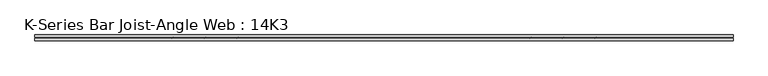
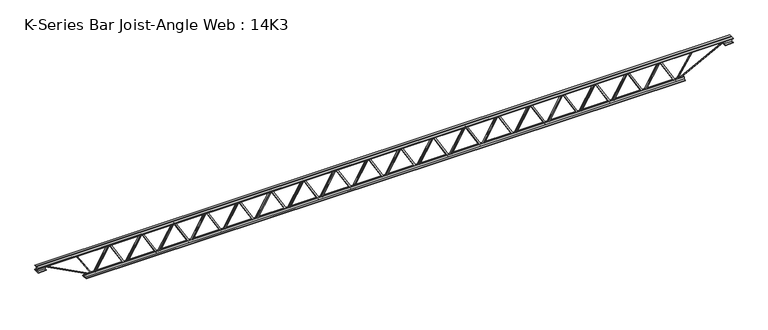
"""IFC4 building model written with IfcOpenShell, lengths in millimetres: beam geometry, K-Series Bar Joist-Angle Web : 14K3."""

from ifc_helpers import new_model, si_unit, frame, origin, place, context, project, spatial, polyline, outline, extrude, faceted_brep, source, transform, mapped, element, save


def k_series_bar_joist_angle_web_14k3_925bcb22(model_context):
    return source(origin(), model_context, "Body", "SolidModel", [
        extrude(outline(polyline([(-4.7625, 4.7625), (-4.7625, 0.0), (-17.4625, 0.0), (-17.4625, 4.7625), (-4.7625, 4.7625)])), frame((3264.7987396, 0.0, -139.7), z_axis=(-0.5053320144149304, 0.0, 0.8629249997580025), x_axis=(0.0, -1.0, 0.0)), (0.0, 0.0, 1.0), 323.7824841),
        extrude(outline(polyline([(-174.625, 3297.0611111), (-155.575, 3297.0611111), (-155.575, 3296.1712757), (174.625, 3102.8049563), (174.625, 3084.6447917), (155.575, 3084.6447917), (155.575, 3091.884627), (-174.625, 3285.2509465), (-174.625, 3297.0611111)])), frame((0.0, 0.0, 0.0), z_axis=(0.0, 1.0, 0.0), x_axis=(0.0, 0.0, 1.0)), (0.0, 0.0, 1.0), 4.7625),
        faceted_brep([(2884.9284722, 0.0, -155.575), (2884.9284722, 0.0, -174.625), (2884.9284722, -4.7625, -174.625), (2884.9284722, -4.7625, -155.575), (2885.8183076, 0.0, -155.575), (3079.184627, 0.0, 174.625), (3097.3447917, 0.0, 174.625), (3097.3447917, 0.0, 155.575), (3090.1049563, 0.0, 155.575), (2896.7386369, 0.0, -174.625), (2896.7386369, -4.7625, -174.625), (2917.1908437, -4.7625, -139.7), (2913.0811634, -4.7625, -137.2933563), (3076.6988183, -4.7625, 142.1066437), (3080.8084986, -4.7625, 139.7), (3090.1049563, -4.7625, 155.575), (3097.3447917, -4.7625, 155.575), (3097.3447917, -4.7625, 174.625), (3079.184627, -4.7625, 174.625), (2885.8183076, -4.7625, -155.575), (3080.8084986, -17.4625, 139.7), (2917.1908437, -17.4625, -139.7), (2913.0811634, -17.4625, -137.2933563), (3076.6988183, -17.4625, 142.1066437)], [[[0, 1, 2, 3]], [[1, 0, 4, 5, 6, 7, 8, 9]], [[2, 1, 9, 10]], [[3, 2, 10, 11, 12, 13, 14, 15, 16, 17, 18, 19]], [[0, 3, 19, 4]], [[9, 8, 15, 14, 20, 21, 11, 10]], [[5, 4, 19, 18]], [[7, 6, 17, 16]], [[8, 7, 16, 15]], [[6, 5, 18, 17]], [[21, 22, 12, 11]], [[20, 14, 13, 23]], [[22, 21, 20, 23]], [[12, 22, 23, 13]]]),
        extrude(outline(polyline([(-4.7625, 4.7625), (-4.7625, 0.0), (-17.4625, 0.0), (-17.4625, 4.7625), (-4.7625, 4.7625)])), frame((2852.6661007, 0.0, -139.7), z_axis=(-0.5053320144149304, 0.0, 0.8629249997580025), x_axis=(0.0, -1.0, 0.0)), (0.0, 0.0, 1.0), 323.7824841),
        extrude(outline(polyline([(-174.625, 2884.9284722), (-155.575, 2884.9284722), (-155.575, 2884.0386369), (174.625, 2690.6723174), (174.625, 2672.5121528), (155.575, 2672.5121528), (155.575, 2679.7519881), (-174.625, 2873.1183076), (-174.625, 2884.9284722)])), frame((0.0, 0.0, 0.0), z_axis=(0.0, 1.0, 0.0), x_axis=(0.0, 0.0, 1.0)), (0.0, 0.0, 1.0), 4.7625),
        faceted_brep([(2472.7958333, 0.0, -155.575), (2472.7958333, 0.0, -174.625), (2472.7958333, -4.7625, -174.625), (2472.7958333, -4.7625, -155.575), (2473.6856687, 0.0, -155.575), (2667.0519881, 0.0, 174.625), (2685.2121528, 0.0, 174.625), (2685.2121528, 0.0, 155.575), (2677.9723174, 0.0, 155.575), (2484.605998, 0.0, -174.625), (2484.605998, -4.7625, -174.625), (2505.0582048, -4.7625, -139.7), (2500.9485245, -4.7625, -137.2933563), (2664.5661794, -4.7625, 142.1066437), (2668.6758597, -4.7625, 139.7), (2677.9723174, -4.7625, 155.575), (2685.2121528, -4.7625, 155.575), (2685.2121528, -4.7625, 174.625), (2667.0519881, -4.7625, 174.625), (2473.6856687, -4.7625, -155.575), (2668.6758597, -17.4625, 139.7), (2505.0582048, -17.4625, -139.7), (2500.9485245, -17.4625, -137.2933563), (2664.5661794, -17.4625, 142.1066437)], [[[0, 1, 2, 3]], [[1, 0, 4, 5, 6, 7, 8, 9]], [[2, 1, 9, 10]], [[3, 2, 10, 11, 12, 13, 14, 15, 16, 17, 18, 19]], [[0, 3, 19, 4]], [[9, 8, 15, 14, 20, 21, 11, 10]], [[5, 4, 19, 18]], [[7, 6, 17, 16]], [[8, 7, 16, 15]], [[6, 5, 18, 17]], [[21, 22, 12, 11]], [[20, 14, 13, 23]], [[22, 21, 20, 23]], [[12, 22, 23, 13]]]),
        extrude(outline(polyline([(-4.7625, 4.7625), (-4.7625, 0.0), (-17.4625, 0.0), (-17.4625, 4.7625), (-4.7625, 4.7625)])), frame((2440.5334618, 0.0, -139.7), z_axis=(-0.5053320144149304, 0.0, 0.8629249997580025), x_axis=(0.0, -1.0, 0.0)), (0.0, 0.0, 1.0), 323.7824841),
        extrude(outline(polyline([(-174.625, 2472.7958333), (-155.575, 2472.7958333), (-155.575, 2471.905998), (174.625, 2278.5396785), (174.625, 2260.3795139), (155.575, 2260.3795139), (155.575, 2267.6193493), (-174.625, 2460.9856687), (-174.625, 2472.7958333)])), frame((0.0, 0.0, 0.0), z_axis=(0.0, 1.0, 0.0), x_axis=(0.0, 0.0, 1.0)), (0.0, 0.0, 1.0), 4.7625),
        faceted_brep([(2060.6631944, 0.0, -155.575), (2060.6631944, 0.0, -174.625), (2060.6631944, -4.7625, -174.625), (2060.6631944, -4.7625, -155.575), (2061.5530298, 0.0, -155.575), (2254.9193493, 0.0, 174.625), (2273.0795139, 0.0, 174.625), (2273.0795139, 0.0, 155.575), (2265.8396785, 0.0, 155.575), (2072.4733591, 0.0, -174.625), (2072.4733591, -4.7625, -174.625), (2092.9255659, -4.7625, -139.7), (2088.8158856, -4.7625, -137.2933563), (2252.4335405, -4.7625, 142.1066437), (2256.5432209, -4.7625, 139.7), (2265.8396785, -4.7625, 155.575), (2273.0795139, -4.7625, 155.575), (2273.0795139, -4.7625, 174.625), (2254.9193493, -4.7625, 174.625), (2061.5530298, -4.7625, -155.575), (2256.5432209, -17.4625, 139.7), (2092.9255659, -17.4625, -139.7), (2088.8158856, -17.4625, -137.2933563), (2252.4335405, -17.4625, 142.1066437)], [[[0, 1, 2, 3]], [[1, 0, 4, 5, 6, 7, 8, 9]], [[2, 1, 9, 10]], [[3, 2, 10, 11, 12, 13, 14, 15, 16, 17, 18, 19]], [[0, 3, 19, 4]], [[9, 8, 15, 14, 20, 21, 11, 10]], [[5, 4, 19, 18]], [[7, 6, 17, 16]], [[8, 7, 16, 15]], [[6, 5, 18, 17]], [[21, 22, 12, 11]], [[20, 14, 13, 23]], [[22, 21, 20, 23]], [[12, 22, 23, 13]]]),
        extrude(outline(polyline([(-4.7625, 4.7625001), (-4.7625, 0.0), (-17.4625, 0.0), (-17.4625, 4.7625001), (-4.7625, 4.7625001)])), frame((2028.4008229, 0.0, -139.7), z_axis=(-0.5053320144149304, 0.0, 0.8629249997580025), x_axis=(0.0, -1.0, 0.0)), (0.0, 0.0, 1.0), 323.7824841),
        extrude(outline(polyline([(-174.625, 2060.6631944), (-155.575, 2060.6631944), (-155.575, 2059.7733591), (174.625, 1866.4070396), (174.625, 1848.246875), (155.575, 1848.246875), (155.575, 1855.4867104), (-174.625, 2048.8530298), (-174.625, 2060.6631944)])), frame((0.0, 0.0, 0.0), z_axis=(0.0, 1.0, 0.0), x_axis=(0.0, 0.0, 1.0)), (0.0, 0.0, 1.0), 4.7625),
        faceted_brep([(1648.5305556, 0.0, -155.575), (1648.5305556, 0.0, -174.625), (1648.5305556, -4.7625, -174.625), (1648.5305556, -4.7625, -155.575), (1649.4203909, 0.0, -155.575), (1842.7867104, 0.0, 174.625), (1860.946875, 0.0, 174.625), (1860.946875, 0.0, 155.575), (1853.7070396, 0.0, 155.575), (1660.3407202, 0.0, -174.625), (1660.3407202, -4.7625, -174.625), (1680.7929271, -4.7625, -139.7), (1676.6832467, -4.7625, -137.2933563), (1840.3009017, -4.7625, 142.1066437), (1844.410582, -4.7625, 139.7), (1853.7070396, -4.7625, 155.575), (1860.946875, -4.7625, 155.575), (1860.946875, -4.7625, 174.625), (1842.7867104, -4.7625, 174.625), (1649.4203909, -4.7625, -155.575), (1844.410582, -17.4625, 139.7), (1680.7929271, -17.4625, -139.7), (1676.6832467, -17.4625, -137.2933563), (1840.3009017, -17.4625, 142.1066437)], [[[0, 1, 2, 3]], [[1, 0, 4, 5, 6, 7, 8, 9]], [[2, 1, 9, 10]], [[3, 2, 10, 11, 12, 13, 14, 15, 16, 17, 18, 19]], [[0, 3, 19, 4]], [[9, 8, 15, 14, 20, 21, 11, 10]], [[5, 4, 19, 18]], [[7, 6, 17, 16]], [[8, 7, 16, 15]], [[6, 5, 18, 17]], [[21, 22, 12, 11]], [[20, 14, 13, 23]], [[22, 21, 20, 23]], [[12, 22, 23, 13]]]),
        extrude(outline(polyline([(-4.7625, 4.7625), (-4.7625, 0.0), (-17.4625, 0.0), (-17.4625, 4.7625), (-4.7625, 4.7625)])), frame((1616.2681841, 0.0, -139.7), z_axis=(-0.5053320144149304, 0.0, 0.8629249997580025), x_axis=(0.0, -1.0, 0.0)), (0.0, 0.0, 1.0), 323.7824841),
        extrude(outline(polyline([(-174.625, 1648.5305556), (-155.575, 1648.5305556), (-155.575, 1647.6407202), (174.625, 1454.2744007), (174.625, 1436.1142361), (155.575, 1436.1142361), (155.575, 1443.3540715), (-174.625, 1636.7203909), (-174.625, 1648.5305556)])), frame((0.0, 0.0, 0.0), z_axis=(0.0, 1.0, 0.0), x_axis=(0.0, 0.0, 1.0)), (0.0, 0.0, 1.0), 4.7625),
        faceted_brep([(1236.3979167, 0.0, -155.575), (1236.3979167, 0.0, -174.625), (1236.3979167, -4.7625, -174.625), (1236.3979167, -4.7625, -155.575), (1237.287752, 0.0, -155.575), (1430.6540715, 0.0, 174.625), (1448.8142361, 0.0, 174.625), (1448.8142361, 0.0, 155.575), (1441.5744007, 0.0, 155.575), (1248.2080813, 0.0, -174.625), (1248.2080813, -4.7625, -174.625), (1268.6602882, -4.7625, -139.7), (1264.5506079, -4.7625, -137.2933563), (1428.1682628, -4.7625, 142.1066437), (1432.2779431, -4.7625, 139.7), (1441.5744007, -4.7625, 155.575), (1448.8142361, -4.7625, 155.575), (1448.8142361, -4.7625, 174.625), (1430.6540715, -4.7625, 174.625), (1237.287752, -4.7625, -155.575), (1432.2779431, -17.4625, 139.7), (1268.6602882, -17.4625, -139.7), (1264.5506079, -17.4625, -137.2933563), (1428.1682628, -17.4625, 142.1066437)], [[[0, 1, 2, 3]], [[1, 0, 4, 5, 6, 7, 8, 9]], [[2, 1, 9, 10]], [[3, 2, 10, 11, 12, 13, 14, 15, 16, 17, 18, 19]], [[0, 3, 19, 4]], [[9, 8, 15, 14, 20, 21, 11, 10]], [[5, 4, 19, 18]], [[7, 6, 17, 16]], [[8, 7, 16, 15]], [[6, 5, 18, 17]], [[21, 22, 12, 11]], [[20, 14, 13, 23]], [[22, 21, 20, 23]], [[12, 22, 23, 13]]]),
        extrude(outline(polyline([(-4.7625, 4.7625), (-4.7625, 0.0), (-17.4625, 0.0), (-17.4625, 4.7625), (-4.7625, 4.7625)])), frame((1204.1355452, 0.0, -139.7), z_axis=(-0.5053320144149304, 0.0, 0.8629249997580025), x_axis=(0.0, -1.0, 0.0)), (0.0, 0.0, 1.0), 323.7824841),
        extrude(outline(polyline([(-174.625, 1236.3979167), (-155.575, 1236.3979167), (-155.575, 1235.5080813), (174.625, 1042.1417619), (174.625, 1023.9815972), (155.575, 1023.9815972), (155.575, 1031.2214326), (-174.625, 1224.587752), (-174.625, 1236.3979167)])), frame((0.0, 0.0, 0.0), z_axis=(0.0, 1.0, 0.0), x_axis=(0.0, 0.0, 1.0)), (0.0, 0.0, 1.0), 4.7625),
        faceted_brep([(824.2652778, 0.0, -155.575), (824.2652778, 0.0, -174.625), (824.2652778, -4.7625, -174.625), (824.2652778, -4.7625, -155.575), (825.1551131, 0.0, -155.575), (1018.5214326, 0.0, 174.625), (1036.6815972, 0.0, 174.625), (1036.6815972, 0.0, 155.575), (1029.4417619, 0.0, 155.575), (836.0754424, 0.0, -174.625), (836.0754424, -4.7625, -174.625), (856.5276493, -4.7625, -139.7), (852.417969, -4.7625, -137.2933563), (1016.0356239, -4.7625, 142.1066437), (1020.1453042, -4.7625, 139.7), (1029.4417619, -4.7625, 155.575), (1036.6815972, -4.7625, 155.575), (1036.6815972, -4.7625, 174.625), (1018.5214326, -4.7625, 174.625), (825.1551131, -4.7625, -155.575), (1020.1453042, -17.4625, 139.7), (856.5276493, -17.4625, -139.7), (852.417969, -17.4625, -137.2933563), (1016.0356239, -17.4625, 142.1066437)], [[[0, 1, 2, 3]], [[1, 0, 4, 5, 6, 7, 8, 9]], [[2, 1, 9, 10]], [[3, 2, 10, 11, 12, 13, 14, 15, 16, 17, 18, 19]], [[0, 3, 19, 4]], [[9, 8, 15, 14, 20, 21, 11, 10]], [[5, 4, 19, 18]], [[7, 6, 17, 16]], [[8, 7, 16, 15]], [[6, 5, 18, 17]], [[21, 22, 12, 11]], [[20, 14, 13, 23]], [[22, 21, 20, 23]], [[12, 22, 23, 13]]]),
        extrude(outline(polyline([(-4.7625, 4.7625), (-4.7625, 0.0), (-17.4625, 0.0), (-17.4625, 4.7625), (-4.7625, 4.7625)])), frame((792.0029063, 0.0, -139.7), z_axis=(-0.5053320144149304, 0.0, 0.8629249997580025), x_axis=(0.0, -1.0, 0.0)), (0.0, 0.0, 1.0), 323.7824841),
        extrude(outline(polyline([(-174.625, 824.2652778), (-155.575, 824.2652778), (-155.575, 823.3754424), (174.625, 630.009123), (174.625, 611.8489583), (155.575, 611.8489583), (155.575, 619.0887937), (-174.625, 812.4551131), (-174.625, 824.2652778)])), frame((0.0, 0.0, 0.0), z_axis=(0.0, 1.0, 0.0), x_axis=(0.0, 0.0, 1.0)), (0.0, 0.0, 1.0), 4.7625),
        faceted_brep([(412.1326389, 0.0, -155.575), (412.1326389, 0.0, -174.625), (412.1326389, -4.7625, -174.625), (412.1326389, -4.7625, -155.575), (413.0224743, 0.0, -155.575), (606.3887937, 0.0, 174.625), (624.5489583, 0.0, 174.625), (624.5489583, 0.0, 155.575), (617.309123, 0.0, 155.575), (423.9428035, 0.0, -174.625), (423.9428035, -4.7625, -174.625), (444.3950104, -4.7625, -139.7), (440.2853301, -4.7625, -137.2933563), (603.902985, -4.7625, 142.1066437), (608.0126653, -4.7625, 139.7), (617.309123, -4.7625, 155.575), (624.5489583, -4.7625, 155.575), (624.5489583, -4.7625, 174.625), (606.3887937, -4.7625, 174.625), (413.0224743, -4.7625, -155.575), (608.0126653, -17.4625, 139.7), (444.3950104, -17.4625, -139.7), (440.2853301, -17.4625, -137.2933563), (603.902985, -17.4625, 142.1066437)], [[[0, 1, 2, 3]], [[1, 0, 4, 5, 6, 7, 8, 9]], [[2, 1, 9, 10]], [[3, 2, 10, 11, 12, 13, 14, 15, 16, 17, 18, 19]], [[0, 3, 19, 4]], [[9, 8, 15, 14, 20, 21, 11, 10]], [[5, 4, 19, 18]], [[7, 6, 17, 16]], [[8, 7, 16, 15]], [[6, 5, 18, 17]], [[21, 22, 12, 11]], [[20, 14, 13, 23]], [[22, 21, 20, 23]], [[12, 22, 23, 13]]]),
        extrude(outline(polyline([(-4.7625, 4.7625), (-4.7625, 0.0), (-17.4625, 0.0), (-17.4625, 4.7625), (-4.7625, 4.7625)])), frame((379.8702674, 0.0, -139.7), z_axis=(-0.5053320144149304, 0.0, 0.8629249997580025), x_axis=(0.0, -1.0, 0.0)), (0.0, 0.0, 1.0), 323.7824841),
        extrude(outline(polyline([(-174.625, 412.1326389), (-155.575, 412.1326389), (-155.575, 411.2428035), (174.625, 217.8764841), (174.625, 199.7163194), (155.575, 199.7163194), (155.575, 206.9561548), (-174.625, 400.3224743), (-174.625, 412.1326389)])), frame((0.0, 0.0, 0.0), z_axis=(0.0, 1.0, 0.0), x_axis=(0.0, 0.0, 1.0)), (0.0, 0.0, 1.0), 4.7625),
        faceted_brep([(0.0, 0.0, -155.575), (0.0, 0.0, -174.625), (0.0, -4.7625, -174.625), (0.0, -4.7625, -155.575), (0.8898354, 0.0, -155.575), (194.2561548, 0.0, 174.625), (212.4163194, 0.0, 174.625), (212.4163194, 0.0, 155.575), (205.1764841, 0.0, 155.575), (11.8101646, 0.0, -174.625), (11.8101646, -4.7625, -174.625), (32.2623715, -4.7625, -139.7), (28.1526912, -4.7625, -137.2933563), (191.7703461, -4.7625, 142.1066437), (195.8800264, -4.7625, 139.7), (205.1764841, -4.7625, 155.575), (212.4163194, -4.7625, 155.575), (212.4163194, -4.7625, 174.625), (194.2561548, -4.7625, 174.625), (0.8898354, -4.7625, -155.575), (195.8800264, -17.4625, 139.7), (32.2623715, -17.4625, -139.7), (28.1526912, -17.4625, -137.2933563), (191.7703461, -17.4625, 142.1066437)], [[[0, 1, 2, 3]], [[1, 0, 4, 5, 6, 7, 8, 9]], [[2, 1, 9, 10]], [[3, 2, 10, 11, 12, 13, 14, 15, 16, 17, 18, 19]], [[0, 3, 19, 4]], [[9, 8, 15, 14, 20, 21, 11, 10]], [[5, 4, 19, 18]], [[7, 6, 17, 16]], [[8, 7, 16, 15]], [[6, 5, 18, 17]], [[21, 22, 12, 11]], [[20, 14, 13, 23]], [[22, 21, 20, 23]], [[12, 22, 23, 13]]]),
        extrude(outline(polyline([(-4.7625, 4.7625), (-4.7625, 0.0), (-17.4625, 0.0), (-17.4625, 4.7625), (-4.7625, 4.7625)])), frame((-32.2623715, 0.0, -139.7), z_axis=(-0.5053320144149304, 0.0, 0.8629249997580025), x_axis=(0.0, -1.0, 0.0)), (0.0, 0.0, 1.0), 323.7824841),
        extrude(outline(polyline([(-174.625, 0.0), (-155.575, 0.0), (-155.575, -0.8898354), (174.625, -194.2561548), (174.625, -212.4163194), (155.575, -212.4163194), (155.575, -205.1764841), (-174.625, -11.8101646), (-174.625, 0.0)])), frame((0.0, 0.0, 0.0), z_axis=(0.0, 1.0, 0.0), x_axis=(0.0, 0.0, 1.0)), (0.0, 0.0, 1.0), 4.7625),
        faceted_brep([(-412.1326389, 0.0, -155.575), (-412.1326389, 0.0, -174.625), (-412.1326389, -4.7625, -174.625), (-412.1326389, -4.7625, -155.575), (-411.2428035, 0.0, -155.575), (-217.8764841, 0.0, 174.625), (-199.7163194, 0.0, 174.625), (-199.7163194, 0.0, 155.575), (-206.9561548, 0.0, 155.575), (-400.3224743, 0.0, -174.625), (-400.3224743, -4.7625, -174.625), (-379.8702674, -4.7625, -139.7), (-383.9799477, -4.7625, -137.2933563), (-220.3622928, -4.7625, 142.1066437), (-216.2526125, -4.7625, 139.7), (-206.9561548, -4.7625, 155.575), (-199.7163194, -4.7625, 155.575), (-199.7163194, -4.7625, 174.625), (-217.8764841, -4.7625, 174.625), (-411.2428035, -4.7625, -155.575), (-216.2526125, -17.4625, 139.7), (-379.8702674, -17.4625, -139.7), (-383.9799477, -17.4625, -137.2933563), (-220.3622928, -17.4625, 142.1066437)], [[[0, 1, 2, 3]], [[1, 0, 4, 5, 6, 7, 8, 9]], [[2, 1, 9, 10]], [[3, 2, 10, 11, 12, 13, 14, 15, 16, 17, 18, 19]], [[0, 3, 19, 4]], [[9, 8, 15, 14, 20, 21, 11, 10]], [[5, 4, 19, 18]], [[7, 6, 17, 16]], [[8, 7, 16, 15]], [[6, 5, 18, 17]], [[21, 22, 12, 11]], [[20, 14, 13, 23]], [[22, 21, 20, 23]], [[12, 22, 23, 13]]]),
        extrude(outline(polyline([(-4.7625, 4.7625), (-4.7625, 0.0), (-17.4625, 0.0), (-17.4625, 4.7625), (-4.7625, 4.7625)])), frame((-444.3950104, 0.0, -139.7), z_axis=(-0.5053320144149304, 0.0, 0.8629249997580025), x_axis=(0.0, -1.0, 0.0)), (0.0, 0.0, 1.0), 323.7824841),
        extrude(outline(polyline([(-174.625, -412.1326389), (-155.575, -412.1326389), (-155.575, -413.0224743), (174.625, -606.3887937), (174.625, -624.5489583), (155.575, -624.5489583), (155.575, -617.309123), (-174.625, -423.9428035), (-174.625, -412.1326389)])), frame((0.0, 0.0, 0.0), z_axis=(0.0, 1.0, 0.0), x_axis=(0.0, 0.0, 1.0)), (0.0, 0.0, 1.0), 4.7625),
        faceted_brep([(-824.2652778, 0.0, -155.575), (-824.2652778, 0.0, -174.625), (-824.2652778, -4.7625, -174.625), (-824.2652778, -4.7625, -155.575), (-823.3754424, 0.0, -155.575), (-630.009123, 0.0, 174.625), (-611.8489583, 0.0, 174.625), (-611.8489583, 0.0, 155.575), (-619.0887937, 0.0, 155.575), (-812.4551131, 0.0, -174.625), (-812.4551131, -4.7625, -174.625), (-792.0029063, -4.7625, -139.7), (-796.1125866, -4.7625, -137.2933563), (-632.4949317, -4.7625, 142.1066437), (-628.3852514, -4.7625, 139.7), (-619.0887937, -4.7625, 155.575), (-611.8489583, -4.7625, 155.575), (-611.8489583, -4.7625, 174.625), (-630.009123, -4.7625, 174.625), (-823.3754424, -4.7625, -155.575), (-628.3852514, -17.4625, 139.7), (-792.0029063, -17.4625, -139.7), (-796.1125866, -17.4625, -137.2933563), (-632.4949317, -17.4625, 142.1066437)], [[[0, 1, 2, 3]], [[1, 0, 4, 5, 6, 7, 8, 9]], [[2, 1, 9, 10]], [[3, 2, 10, 11, 12, 13, 14, 15, 16, 17, 18, 19]], [[0, 3, 19, 4]], [[9, 8, 15, 14, 20, 21, 11, 10]], [[5, 4, 19, 18]], [[7, 6, 17, 16]], [[8, 7, 16, 15]], [[6, 5, 18, 17]], [[21, 22, 12, 11]], [[20, 14, 13, 23]], [[22, 21, 20, 23]], [[12, 22, 23, 13]]]),
        extrude(outline(polyline([(-4.7625, 4.7625), (-4.7625, 0.0), (-17.4625, 0.0), (-17.4625, 4.7625), (-4.7625, 4.7625)])), frame((-856.5276493, 0.0, -139.7), z_axis=(-0.5053320144149304, 0.0, 0.8629249997580025), x_axis=(0.0, -1.0, 0.0)), (0.0, 0.0, 1.0), 323.7824841),
        extrude(outline(polyline([(-174.625, -824.2652778), (-155.575, -824.2652778), (-155.575, -825.1551131), (174.625, -1018.5214326), (174.625, -1036.6815972), (155.575, -1036.6815972), (155.575, -1029.4417619), (-174.625, -836.0754424), (-174.625, -824.2652778)])), frame((0.0, 0.0, 0.0), z_axis=(0.0, 1.0, 0.0), x_axis=(0.0, 0.0, 1.0)), (0.0, 0.0, 1.0), 4.7625),
        faceted_brep([(-1236.3979167, 0.0, -155.575), (-1236.3979167, 0.0, -174.625), (-1236.3979167, -4.7625, -174.625), (-1236.3979167, -4.7625, -155.575), (-1235.5080813, 0.0, -155.575), (-1042.1417619, 0.0, 174.625), (-1023.9815972, 0.0, 174.625), (-1023.9815972, 0.0, 155.575), (-1031.2214326, 0.0, 155.575), (-1224.587752, 0.0, -174.625), (-1224.587752, -4.7625, -174.625), (-1204.1355452, -4.7625, -139.7), (-1208.2452255, -4.7625, -137.2933563), (-1044.6275706, -4.7625, 142.1066437), (-1040.5178903, -4.7625, 139.7), (-1031.2214326, -4.7625, 155.575), (-1023.9815972, -4.7625, 155.575), (-1023.9815972, -4.7625, 174.625), (-1042.1417619, -4.7625, 174.625), (-1235.5080813, -4.7625, -155.575), (-1040.5178903, -17.4625, 139.7), (-1204.1355452, -17.4625, -139.7), (-1208.2452255, -17.4625, -137.2933563), (-1044.6275706, -17.4625, 142.1066437)], [[[0, 1, 2, 3]], [[1, 0, 4, 5, 6, 7, 8, 9]], [[2, 1, 9, 10]], [[3, 2, 10, 11, 12, 13, 14, 15, 16, 17, 18, 19]], [[0, 3, 19, 4]], [[9, 8, 15, 14, 20, 21, 11, 10]], [[5, 4, 19, 18]], [[7, 6, 17, 16]], [[8, 7, 16, 15]], [[6, 5, 18, 17]], [[21, 22, 12, 11]], [[20, 14, 13, 23]], [[22, 21, 20, 23]], [[12, 22, 23, 13]]]),
        extrude(outline(polyline([(-4.7625, 4.7625), (-4.7625, 0.0), (-17.4625, 0.0), (-17.4625, 4.7625), (-4.7625, 4.7625)])), frame((-1268.6602882, 0.0, -139.7), z_axis=(-0.5053320144149304, 0.0, 0.8629249997580025), x_axis=(0.0, -1.0, 0.0)), (0.0, 0.0, 1.0), 323.7824841),
        extrude(outline(polyline([(-174.625, -1236.3979167), (-155.575, -1236.3979167), (-155.575, -1237.287752), (174.625, -1430.6540715), (174.625, -1448.8142361), (155.575, -1448.8142361), (155.575, -1441.5744007), (-174.625, -1248.2080813), (-174.625, -1236.3979167)])), frame((0.0, 0.0, 0.0), z_axis=(0.0, 1.0, 0.0), x_axis=(0.0, 0.0, 1.0)), (0.0, 0.0, 1.0), 4.7625),
        faceted_brep([(-1648.5305556, 0.0, -155.575), (-1648.5305556, 0.0, -174.625), (-1648.5305556, -4.7625, -174.625), (-1648.5305556, -4.7625, -155.575), (-1647.6407202, 0.0, -155.575), (-1454.2744007, 0.0, 174.625), (-1436.1142361, 0.0, 174.625), (-1436.1142361, 0.0, 155.575), (-1443.3540715, 0.0, 155.575), (-1636.7203909, 0.0, -174.625), (-1636.7203909, -4.7625, -174.625), (-1616.2681841, -4.7625, -139.7), (-1620.3778644, -4.7625, -137.2933563), (-1456.7602095, -4.7625, 142.1066437), (-1452.6505291, -4.7625, 139.7), (-1443.3540715, -4.7625, 155.575), (-1436.1142361, -4.7625, 155.575), (-1436.1142361, -4.7625, 174.625), (-1454.2744007, -4.7625, 174.625), (-1647.6407202, -4.7625, -155.575), (-1452.6505291, -17.4625, 139.7), (-1616.2681841, -17.4625, -139.7), (-1620.3778644, -17.4625, -137.2933563), (-1456.7602095, -17.4625, 142.1066437)], [[[0, 1, 2, 3]], [[1, 0, 4, 5, 6, 7, 8, 9]], [[2, 1, 9, 10]], [[3, 2, 10, 11, 12, 13, 14, 15, 16, 17, 18, 19]], [[0, 3, 19, 4]], [[9, 8, 15, 14, 20, 21, 11, 10]], [[5, 4, 19, 18]], [[7, 6, 17, 16]], [[8, 7, 16, 15]], [[6, 5, 18, 17]], [[21, 22, 12, 11]], [[20, 14, 13, 23]], [[22, 21, 20, 23]], [[12, 22, 23, 13]]]),
        extrude(outline(polyline([(-4.7625, 4.7625001), (-4.7625, 0.0), (-17.4625, 0.0), (-17.4625, 4.7625001), (-4.7625, 4.7625001)])), frame((-1680.7929271, 0.0, -139.7), z_axis=(-0.5053320144149304, 0.0, 0.8629249997580025), x_axis=(0.0, -1.0, 0.0)), (0.0, 0.0, 1.0), 323.7824841),
        extrude(outline(polyline([(-174.625, -1648.5305556), (-155.575, -1648.5305556), (-155.575, -1649.4203909), (174.625, -1842.7867104), (174.625, -1860.946875), (155.575, -1860.946875), (155.575, -1853.7070396), (-174.625, -1660.3407202), (-174.625, -1648.5305556)])), frame((0.0, 0.0, 0.0), z_axis=(0.0, 1.0, 0.0), x_axis=(0.0, 0.0, 1.0)), (0.0, 0.0, 1.0), 4.7625),
        faceted_brep([(-2060.6631944, 0.0, -155.575), (-2060.6631944, 0.0, -174.625), (-2060.6631944, -4.7625, -174.625), (-2060.6631944, -4.7625, -155.575), (-2059.7733591, 0.0, -155.575), (-1866.4070396, 0.0, 174.625), (-1848.246875, 0.0, 174.625), (-1848.246875, 0.0, 155.575), (-1855.4867104, 0.0, 155.575), (-2048.8530298, 0.0, -174.625), (-2048.8530298, -4.7625, -174.625), (-2028.4008229, -4.7625, -139.7), (-2032.5105033, -4.7625, -137.2933563), (-1868.8928483, -4.7625, 142.1066437), (-1864.783168, -4.7625, 139.7), (-1855.4867104, -4.7625, 155.575), (-1848.246875, -4.7625, 155.575), (-1848.246875, -4.7625, 174.625), (-1866.4070396, -4.7625, 174.625), (-2059.7733591, -4.7625, -155.575), (-1864.783168, -17.4625, 139.7), (-2028.4008229, -17.4625, -139.7), (-2032.5105033, -17.4625, -137.2933563), (-1868.8928483, -17.4625, 142.1066437)], [[[0, 1, 2, 3]], [[1, 0, 4, 5, 6, 7, 8, 9]], [[2, 1, 9, 10]], [[3, 2, 10, 11, 12, 13, 14, 15, 16, 17, 18, 19]], [[0, 3, 19, 4]], [[9, 8, 15, 14, 20, 21, 11, 10]], [[5, 4, 19, 18]], [[7, 6, 17, 16]], [[8, 7, 16, 15]], [[6, 5, 18, 17]], [[21, 22, 12, 11]], [[20, 14, 13, 23]], [[22, 21, 20, 23]], [[12, 22, 23, 13]]]),
        extrude(outline(polyline([(-4.7625, 4.7625), (-4.7625, 0.0), (-17.4625, 0.0), (-17.4625, 4.7625), (-4.7625, 4.7625)])), frame((-2092.9255659, 0.0, -139.7), z_axis=(-0.5053320144149304, 0.0, 0.8629249997580025), x_axis=(0.0, -1.0, 0.0)), (0.0, 0.0, 1.0), 323.7824841),
        extrude(outline(polyline([(-174.625, -2060.6631944), (-155.575, -2060.6631944), (-155.575, -2061.5530298), (174.625, -2254.9193493), (174.625, -2273.0795139), (155.575, -2273.0795139), (155.575, -2265.8396785), (-174.625, -2072.4733591), (-174.625, -2060.6631944)])), frame((0.0, 0.0, 0.0), z_axis=(0.0, 1.0, 0.0), x_axis=(0.0, 0.0, 1.0)), (0.0, 0.0, 1.0), 4.7625),
        faceted_brep([(-2472.7958333, 0.0, -155.575), (-2472.7958333, 0.0, -174.625), (-2472.7958333, -4.7625, -174.625), (-2472.7958333, -4.7625, -155.575), (-2471.905998, 0.0, -155.575), (-2278.5396785, 0.0, 174.625), (-2260.3795139, 0.0, 174.625), (-2260.3795139, 0.0, 155.575), (-2267.6193493, 0.0, 155.575), (-2460.9856687, 0.0, -174.625), (-2460.9856687, -4.7625, -174.625), (-2440.5334618, -4.7625, -139.7), (-2444.6431421, -4.7625, -137.2933563), (-2281.0254872, -4.7625, 142.1066437), (-2276.9158069, -4.7625, 139.7), (-2267.6193493, -4.7625, 155.575), (-2260.3795139, -4.7625, 155.575), (-2260.3795139, -4.7625, 174.625), (-2278.5396785, -4.7625, 174.625), (-2471.905998, -4.7625, -155.575), (-2276.9158069, -17.4625, 139.7), (-2440.5334618, -17.4625, -139.7), (-2444.6431421, -17.4625, -137.2933563), (-2281.0254872, -17.4625, 142.1066437)], [[[0, 1, 2, 3]], [[1, 0, 4, 5, 6, 7, 8, 9]], [[2, 1, 9, 10]], [[3, 2, 10, 11, 12, 13, 14, 15, 16, 17, 18, 19]], [[0, 3, 19, 4]], [[9, 8, 15, 14, 20, 21, 11, 10]], [[5, 4, 19, 18]], [[7, 6, 17, 16]], [[8, 7, 16, 15]], [[6, 5, 18, 17]], [[21, 22, 12, 11]], [[20, 14, 13, 23]], [[22, 21, 20, 23]], [[12, 22, 23, 13]]]),
        extrude(outline(polyline([(-4.7625, 4.7625), (-4.7625, 0.0), (-17.4625, 0.0), (-17.4625, 4.7625), (-4.7625, 4.7625)])), frame((-2505.0582048, 0.0, -139.7), z_axis=(-0.5053320144149304, 0.0, 0.8629249997580025), x_axis=(0.0, -1.0, 0.0)), (0.0, 0.0, 1.0), 323.7824841),
        extrude(outline(polyline([(-174.625, -2472.7958333), (-155.575, -2472.7958333), (-155.575, -2473.6856687), (174.625, -2667.0519881), (174.625, -2685.2121528), (155.575, -2685.2121528), (155.575, -2677.9723174), (-174.625, -2484.605998), (-174.625, -2472.7958333)])), frame((0.0, 0.0, 0.0), z_axis=(0.0, 1.0, 0.0), x_axis=(0.0, 0.0, 1.0)), (0.0, 0.0, 1.0), 4.7625),
        faceted_brep([(-2884.9284722, 0.0, -155.575), (-2884.9284722, 0.0, -174.625), (-2884.9284722, -4.7625, -174.625), (-2884.9284722, -4.7625, -155.575), (-2884.0386369, 0.0, -155.575), (-2690.6723174, 0.0, 174.625), (-2672.5121528, 0.0, 174.625), (-2672.5121528, 0.0, 155.575), (-2679.7519881, 0.0, 155.575), (-2873.1183076, 0.0, -174.625), (-2873.1183076, -4.7625, -174.625), (-2852.6661007, -4.7625, -139.7), (-2856.775781, -4.7625, -137.2933563), (-2693.1581261, -4.7625, 142.1066437), (-2689.0484458, -4.7625, 139.7), (-2679.7519881, -4.7625, 155.575), (-2672.5121528, -4.7625, 155.575), (-2672.5121528, -4.7625, 174.625), (-2690.6723174, -4.7625, 174.625), (-2884.0386369, -4.7625, -155.575), (-2689.0484458, -17.4625, 139.7), (-2852.6661007, -17.4625, -139.7), (-2856.775781, -17.4625, -137.2933563), (-2693.1581261, -17.4625, 142.1066437)], [[[0, 1, 2, 3]], [[1, 0, 4, 5, 6, 7, 8, 9]], [[2, 1, 9, 10]], [[3, 2, 10, 11, 12, 13, 14, 15, 16, 17, 18, 19]], [[0, 3, 19, 4]], [[9, 8, 15, 14, 20, 21, 11, 10]], [[5, 4, 19, 18]], [[7, 6, 17, 16]], [[8, 7, 16, 15]], [[6, 5, 18, 17]], [[21, 22, 12, 11]], [[20, 14, 13, 23]], [[22, 21, 20, 23]], [[12, 22, 23, 13]]]),
        extrude(outline(polyline([(-4.7625, 4.7625), (-4.7625, 0.0), (-17.4625, 0.0), (-17.4625, 4.7625), (-4.7625, 4.7625)])), frame((-2917.1908437, 0.0, -139.7), z_axis=(-0.5053320144149304, 0.0, 0.8629249997580025), x_axis=(0.0, -1.0, 0.0)), (0.0, 0.0, 1.0), 323.7824841),
        extrude(outline(polyline([(-174.625, -2884.9284722), (-155.575, -2884.9284722), (-155.575, -2885.8183076), (174.625, -3079.184627), (174.625, -3097.3447917), (155.575, -3097.3447917), (155.575, -3090.1049563), (-174.625, -2896.7386369), (-174.625, -2884.9284722)])), frame((0.0, 0.0, 0.0), z_axis=(0.0, 1.0, 0.0), x_axis=(0.0, 0.0, 1.0)), (0.0, 0.0, 1.0), 4.7625),
        faceted_brep([(-3297.0611111, 0.0, -155.575), (-3297.0611111, 0.0, -174.625), (-3297.0611111, -4.7625, -174.625), (-3297.0611111, -4.7625, -155.575), (-3296.1712757, 0.0, -155.575), (-3102.8049563, 0.0, 174.625), (-3084.6447917, 0.0, 174.625), (-3084.6447917, 0.0, 155.575), (-3091.884627, 0.0, 155.575), (-3285.2509465, 0.0, -174.625), (-3285.2509465, -4.7625, -174.625), (-3264.7987396, -4.7625, -139.7), (-3268.9084199, -4.7625, -137.2933563), (-3105.290765, -4.7625, 142.1066437), (-3101.1810847, -4.7625, 139.7), (-3091.884627, -4.7625, 155.575), (-3084.6447917, -4.7625, 155.575), (-3084.6447917, -4.7625, 174.625), (-3102.8049563, -4.7625, 174.625), (-3296.1712757, -4.7625, -155.575), (-3101.1810847, -17.4625, 139.7), (-3264.7987396, -17.4625, -139.7), (-3268.9084199, -17.4625, -137.2933563), (-3105.290765, -17.4625, 142.1066437)], [[[0, 1, 2, 3]], [[1, 0, 4, 5, 6, 7, 8, 9]], [[2, 1, 9, 10]], [[3, 2, 10, 11, 12, 13, 14, 15, 16, 17, 18, 19]], [[0, 3, 19, 4]], [[9, 8, 15, 14, 20, 21, 11, 10]], [[5, 4, 19, 18]], [[7, 6, 17, 16]], [[8, 7, 16, 15]], [[6, 5, 18, 17]], [[21, 22, 12, 11]], [[20, 14, 13, 23]], [[22, 21, 20, 23]], [[12, 22, 23, 13]]]),
        extrude(outline(polyline([(-4.7625, 4.7625), (-4.7625, 0.0), (-17.4625, 0.0), (-17.4625, 4.7625), (-4.7625, 4.7625)])), frame((3676.9313785, 0.0, -139.7), z_axis=(-0.5053320144149304, 0.0, 0.8629249997580025), x_axis=(0.0, -1.0, 0.0)), (0.0, 0.0, 1.0), 323.7824841),
        extrude(outline(polyline([(-174.625, 3709.19375), (-155.575, 3709.19375), (-155.575, 3708.3039146), (174.625, 3514.9375952), (174.625, 3496.7774306), (155.575, 3496.7774306), (155.575, 3504.0172659), (-174.625, 3697.3835854), (-174.625, 3709.19375)])), frame((0.0, 0.0, 0.0), z_axis=(0.0, 1.0, 0.0), x_axis=(0.0, 0.0, 1.0)), (0.0, 0.0, 1.0), 4.7625),
        faceted_brep([(3297.0611111, 0.0, -155.575), (3297.0611111, 0.0, -174.625), (3297.0611111, -4.7625, -174.625), (3297.0611111, -4.7625, -155.575), (3297.9509465, 0.0, -155.575), (3491.3172659, 0.0, 174.625), (3509.4774306, 0.0, 174.625), (3509.4774306, 0.0, 155.575), (3502.2375952, 0.0, 155.575), (3308.8712757, 0.0, -174.625), (3308.8712757, -4.7625, -174.625), (3329.3234826, -4.7625, -139.7), (3325.2138023, -4.7625, -137.2933563), (3488.8314572, -4.7625, 142.1066437), (3492.9411375, -4.7625, 139.7), (3502.2375952, -4.7625, 155.575), (3509.4774306, -4.7625, 155.575), (3509.4774306, -4.7625, 174.625), (3491.3172659, -4.7625, 174.625), (3297.9509465, -4.7625, -155.575), (3492.9411375, -17.4625, 139.7), (3329.3234826, -17.4625, -139.7), (3325.2138023, -17.4625, -137.2933563), (3488.8314572, -17.4625, 142.1066437)], [[[0, 1, 2, 3]], [[1, 0, 4, 5, 6, 7, 8, 9]], [[2, 1, 9, 10]], [[3, 2, 10, 11, 12, 13, 14, 15, 16, 17, 18, 19]], [[0, 3, 19, 4]], [[9, 8, 15, 14, 20, 21, 11, 10]], [[5, 4, 19, 18]], [[7, 6, 17, 16]], [[8, 7, 16, 15]], [[6, 5, 18, 17]], [[21, 22, 12, 11]], [[20, 14, 13, 23]], [[22, 21, 20, 23]], [[12, 22, 23, 13]]]),
        extrude(outline(polyline([(-4.7625, 4.7625), (-4.7625, 0.0), (-17.4625, 0.0), (-17.4625, 4.7625), (-4.7625, 4.7625)])), frame((-3329.3234826, 0.0, -139.7), z_axis=(-0.5053320144149304, 0.0, 0.8629249997580025), x_axis=(0.0, -1.0, 0.0)), (0.0, 0.0, 1.0), 323.7824841),
        extrude(outline(polyline([(-174.625, -3297.0611111), (-155.575, -3297.0611111), (-155.575, -3297.9509465), (174.625, -3491.3172659), (174.625, -3509.4774306), (155.575, -3509.4774306), (155.575, -3502.2375952), (-174.625, -3308.8712757), (-174.625, -3297.0611111)])), frame((0.0, 0.0, 0.0), z_axis=(0.0, 1.0, 0.0), x_axis=(0.0, 0.0, 1.0)), (0.0, 0.0, 1.0), 4.7625),
        faceted_brep([(-3709.19375, 0.0, -155.575), (-3709.19375, 0.0, -174.625), (-3709.19375, -4.7625, -174.625), (-3709.19375, -4.7625, -155.575), (-3708.3039146, 0.0, -155.575), (-3514.9375952, 0.0, 174.625), (-3496.7774306, 0.0, 174.625), (-3496.7774306, 0.0, 155.575), (-3504.0172659, 0.0, 155.575), (-3697.3835854, 0.0, -174.625), (-3697.3835854, -4.7625, -174.625), (-3676.9313785, -4.7625, -139.7), (-3681.0410588, -4.7625, -137.2933563), (-3517.4234039, -4.7625, 142.1066437), (-3513.3137236, -4.7625, 139.7), (-3504.0172659, -4.7625, 155.575), (-3496.7774306, -4.7625, 155.575), (-3496.7774306, -4.7625, 174.625), (-3514.9375952, -4.7625, 174.625), (-3708.3039146, -4.7625, -155.575), (-3513.3137236, -17.4625, 139.7), (-3676.9313785, -17.4625, -139.7), (-3681.0410588, -17.4625, -137.2933563), (-3517.4234039, -17.4625, 142.1066437)], [[[0, 1, 2, 3]], [[1, 0, 4, 5, 6, 7, 8, 9]], [[2, 1, 9, 10]], [[3, 2, 10, 11, 12, 13, 14, 15, 16, 17, 18, 19]], [[0, 3, 19, 4]], [[9, 8, 15, 14, 20, 21, 11, 10]], [[5, 4, 19, 18]], [[7, 6, 17, 16]], [[8, 7, 16, 15]], [[6, 5, 18, 17]], [[21, 22, 12, 11]], [[20, 14, 13, 23]], [[22, 21, 20, 23]], [[12, 22, 23, 13]]]),
        extrude(outline(polyline([(4.7625, 177.8), (36.5125, 177.8), (36.5125, 171.45), (11.1125, 171.45), (11.1125, 146.05), (4.7625, 146.05), (4.7625, 177.8)])), frame((-4420.39375, 0.0, 0.0), z_axis=(1.0, 0.0, 0.0), x_axis=(0.0, 1.0, 0.0)), (0.0, 0.0, 1.0), 8840.7875),
        extrude(outline(polyline([(-4.7625, 177.8), (-4.7625, 146.05), (-11.1125, 146.05), (-11.1125, 171.45), (-36.5125, 171.45), (-36.5125, 177.8), (-4.7625, 177.8)])), frame((-4420.39375, 0.0, 0.0), z_axis=(1.0, 0.0, 0.0), x_axis=(0.0, 1.0, 0.0)), (0.0, 0.0, 1.0), 8840.7875),
        extrude(outline(polyline([(-4.7625, 114.3), (-36.5125, 114.3), (-36.5125, 120.65), (-11.1125, 120.65), (-11.1125, 146.05), (-4.7625, 146.05), (-4.7625, 114.3)])), frame((-4420.39375, 0.0, 0.0), z_axis=(1.0, 0.0, 0.0), x_axis=(0.0, 1.0, 0.0)), (0.0, 0.0, 1.0), 101.6),
        extrude(outline(polyline([(36.5125, 114.3), (4.7625, 114.3), (4.7625, 146.05), (11.1125, 146.05), (11.1125, 120.65), (36.5125, 120.65), (36.5125, 114.3)])), frame((-4420.39375, 0.0, 0.0), z_axis=(1.0, 0.0, 0.0), x_axis=(0.0, 1.0, 0.0)), (0.0, 0.0, 1.0), 101.6),
        extrude(outline(polyline([(4.7625, 114.3), (4.7625, 146.05), (11.1125, 146.05), (11.1125, 120.65), (36.5125, 120.65), (36.5125, 114.3), (4.7625, 114.3)])), frame((4318.79375, 0.0, 0.0), z_axis=(1.0, 0.0, 0.0), x_axis=(0.0, 1.0, 0.0)), (0.0, 0.0, 1.0), 101.6),
        extrude(outline(polyline([(-4.7625, 114.3), (-36.5125, 114.3), (-36.5125, 120.65), (-11.1125, 120.65), (-11.1125, 146.05), (-4.7625, 146.05), (-4.7625, 114.3)])), frame((4318.79375, 0.0, 0.0), z_axis=(1.0, 0.0, 0.0), x_axis=(0.0, 1.0, 0.0)), (0.0, 0.0, 1.0), 101.6),
        extrude(outline(polyline([(4.7625, -177.8), (4.7625, -146.05), (11.1125, -146.05), (11.1125, -171.45), (36.5125, -171.45), (36.5125, -177.8), (4.7625, -177.8)])), frame((-3810.79375, 0.0, 0.0), z_axis=(1.0, 0.0, 0.0), x_axis=(0.0, 1.0, 0.0)), (0.0, 0.0, 1.0), 7621.5875),
        extrude(outline(polyline([(-4.7625, -177.8), (-36.5125, -177.8), (-36.5125, -171.45), (-11.1125, -171.45), (-11.1125, -146.05), (-4.7625, -146.05), (-4.7625, -177.8)])), frame((-3810.79375, 0.0, 0.0), z_axis=(1.0, 0.0, 0.0), x_axis=(0.0, 1.0, 0.0)), (0.0, 0.0, 1.0), 7621.5875),
        extrude(outline(polyline([(4.7625, 4.7625), (4.7625, -4.7625), (-4.7625, -4.7625), (-4.7625, 4.7625), (4.7625, 4.7625)])), frame((3709.19375, 0.0, -171.45), z_axis=(0.5444149257495816, 0.0, 0.8388160636403416), x_axis=(0.0, -1.0, 0.0)), (0.0, 0.0, 1.0), 378.5096802),
        extrude(outline(polyline([(4.7625, 4.7625), (4.7625, -4.7625), (-4.7625, -4.7625), (-4.7625, 4.7625), (4.7625, 4.7625)])), frame((-3709.19375, 0.0, -171.45), z_axis=(-0.5444149257495493, 0.0, 0.8388160636403625), x_axis=(0.0, -1.0, 0.0)), (0.0, 0.0, 1.0), 378.5096802),
        extrude(outline(polyline([(0.0, -9.525), (0.0, 0.0), (687.3270037, 0.0), (687.3270037, -9.525), (0.0, -9.525)])), frame((4320.9937127, -4.7625, 141.8260717), z_axis=(-0.46193441883646047, 0.0, 0.8869140841672443), x_axis=(-0.8869140841672443, 0.0, -0.46193441883646047)), (0.0, 0.0, 1.0), 9.525),
        extrude(outline(polyline([(0.0, -9.525), (0.0, 0.0), (687.3270037, 0.0), (687.3270037, -9.525), (0.0, -9.525)])), frame((-4320.9937127, 4.7625, 141.8260717), z_axis=(0.4619344188364569, 0.0, 0.886914084167246), x_axis=(0.886914084167246, 0.0, -0.4619344188364569)), (0.0, 0.0, 1.0), 9.525),
    ])


if __name__ == "__main__":
    model = new_model("IFC4")
    model_context = context("Model", 3, world=origin())
    ifc_project = project(units=[si_unit("LENGTHUNIT", "METRE", prefix="MILLI")], contexts=[model_context])
    site = spatial("IfcSite", under=ifc_project)
    building = spatial("IfcBuilding", under=site)
    placement = place(None, origin())
    k_series_bar_joist_angle_web_14k3_shape = k_series_bar_joist_angle_web_14k3_925bcb22(model_context)
    element("IfcBeam", 1, ObjectType="K-Series Bar Joist-Angle Web : 14K3", at=placement, inside=building, context=model_context, shape_type="MappedRepresentation", body=[
        mapped(k_series_bar_joist_angle_web_14k3_shape, transform((0.0, 0.0, 0.0), x_axis=(1.0, 0.0, 0.0), y_axis=(0.0, 1.0, 0.0), z_axis=(0.0, 0.0, 1.0))),
    ])
    save(model, "model.ifc")
